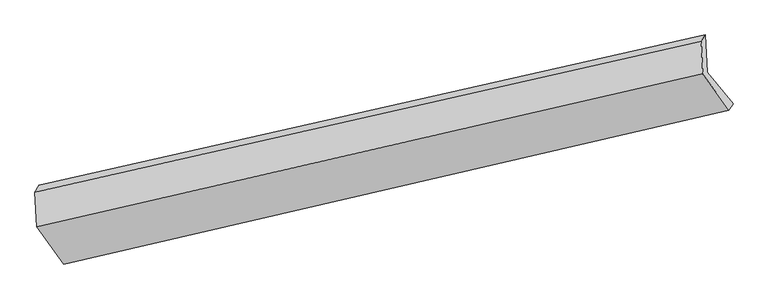
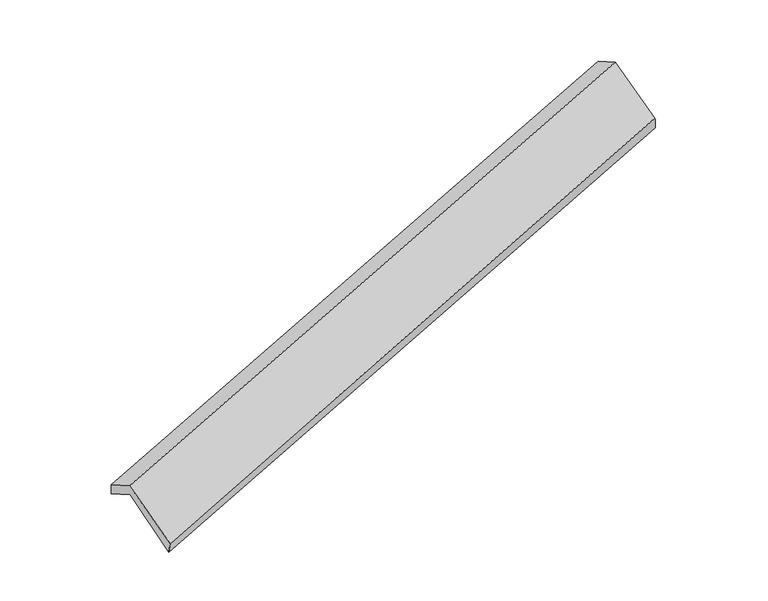
"""IFC4 building model written with IfcOpenShell, lengths in millimetres: proxy geometry."""

from ifc_helpers import new_model, si_unit, frame, origin, place, context, project, spatial, source, transform, mapped, element, save
from ifc_brep_helpers import plane_surface, spline_surface, advanced_brep


def generic_models_bd8b0cba(model_context):
    return source(origin(), model_context, "Body", "AdvancedBrep", [
        advanced_brep(
        [(-5723.4766575, -2475.1353024, 581.5001331), (-5967.2923838, -2177.6690257, 1147.9612212), (133.0326226, -809.0872904, 3047.5452143), (369.7264949, -1097.8645812, 2497.6304467), (-5984.8708962, -1844.8124689, 965.6017961), (114.9914496, -467.4700597, 2860.3861497), (-6018.8880037, -1906.3398851, 1118.4798685), (77.4404529, -525.1649549, 3021.8178723), (-6002.2174731, -2222.0034216, 1291.4198929), (93.2264793, -824.0800318, 3185.5820538), (-5756.0787454, -2563.4567121, 749.0576138), (332.1754982, -1155.5594765, 2659.0621693)],
        [
            (0, 1),
            (1, 2),
            (2, 3),
            (3, 0),
            (1, 4),
            (4, 5),
            (5, 2),
            (4, 6),
            (6, 7),
            (7, 5),
            (6, 8),
            (8, 9),
            (9, 7),
            (8, 10),
            (10, 11),
            (11, 9),
            (10, 0),
            (3, 11),
        ],
        [
            plane_surface(frame((-5845.3845206, -2326.4021641, 864.7306772), z_axis=(-0.046980218954051384, 0.8759070577172245, -0.4801871356754407), x_axis=(-0.3560926983926591, 0.4344492898974354, 0.8273160246598931))),
            plane_surface(frame((-5976.08164, -2011.2407473, 1056.7815087), z_axis=(0.3552147443489339, -0.43464584463365313, -0.8275901613358025), x_axis=(-0.04626606012261554, 0.8760673868268258, -0.4799639417905758))),
            spline_surface(1, 1, [[(-5984.8708962, -1844.8124689, 965.6017961), (114.9914496, -467.4700597, 2860.3861497)], [(-6018.8880037, -1906.3398851, 1118.4798685), (77.4404529, -525.1649549, 3021.8178723)]], [2, 2], [2, 2], [0.0, 1.0], [0.0, 1.0]),
            plane_surface(frame((-6010.5527384, -2064.1716533, 1204.9498807), z_axis=(-0.3566431845793401, 0.4343258159713116, 0.8271437145224289), x_axis=(0.046266060122615416, -0.8760673868268254, 0.4799639417905766))),
            plane_surface(frame((-5879.1481093, -2392.7300669, 1020.2387533), z_axis=(0.02483572735321246, -0.8408755158275713, 0.5406584444254553), x_axis=(0.35852276318040543, -0.4973568294520553, -0.7899984889092423))),
            spline_surface(1, 1, [[(-5756.0787454, -2563.4567121, 749.0576138), (332.1754982, -1155.5594765, 2659.0621693)], [(-5723.4766575, -2475.1353024, 581.5001331), (369.7264949, -1097.8645812, 2497.6304467)]], [2, 2], [2, 2], [0.0, 1.0], [0.0, 1.0]),
            plane_surface(frame((186.7654996, -813.2043991, 2878.670651), z_axis=(0.933304581491034, 0.20918830810075942, 0.29186094278232555), x_axis=(0.35852276318040543, -0.4973568294520553, -0.7899984889092423))),
            plane_surface(frame((-5908.8040266, -2198.236136, 975.6700876), z_axis=(-0.9333045814910368, -0.20918830810079642, -0.29186094278229024), x_axis=(-0.16962989563488123, -0.4595396334336469, 0.8718079053384231))),
        ],
        [
            (0, [[1, 2, 3, 4]]),
            (1, [[5, 6, 7, -2]]),
            (2, [[8, 9, 10, -6]]),
            (3, [[11, 12, 13, -9]]),
            (4, [[14, 15, 16, -12]]),
            (5, [[17, -4, 18, -15]]),
            (6, [[-16, -18, -3, -7, -10, -13]]),
            (7, [[-17, -14, -11, -8, -5, -1]]),
        ],
    ),
    ])


if __name__ == "__main__":
    model = new_model("IFC4")
    model_context = context("Model", 3, world=origin())
    ifc_project = project(units=[si_unit("LENGTHUNIT", "METRE", prefix="MILLI")], contexts=[model_context])
    site = spatial("IfcSite", under=ifc_project)
    building = spatial("IfcBuilding", under=site)
    placement = place(None, origin())
    generic_models_shape = generic_models_bd8b0cba(model_context)
    element("IfcBuildingElementProxy", 1, Name="Generic Models", at=placement, inside=building, context=model_context, shape_type="MappedRepresentation", body=[
        mapped(generic_models_shape, transform((0.0, 0.0, 0.0), x_axis=(1.0, 0.0, 0.0), y_axis=(0.0, 1.0, 0.0), z_axis=(0.0, 0.0, 1.0))),
    ])
    save(model, "model.ifc")
